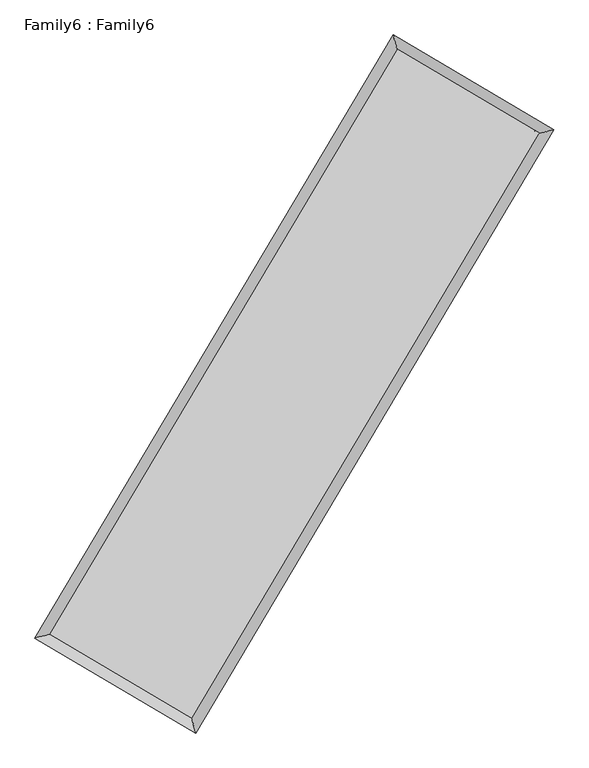
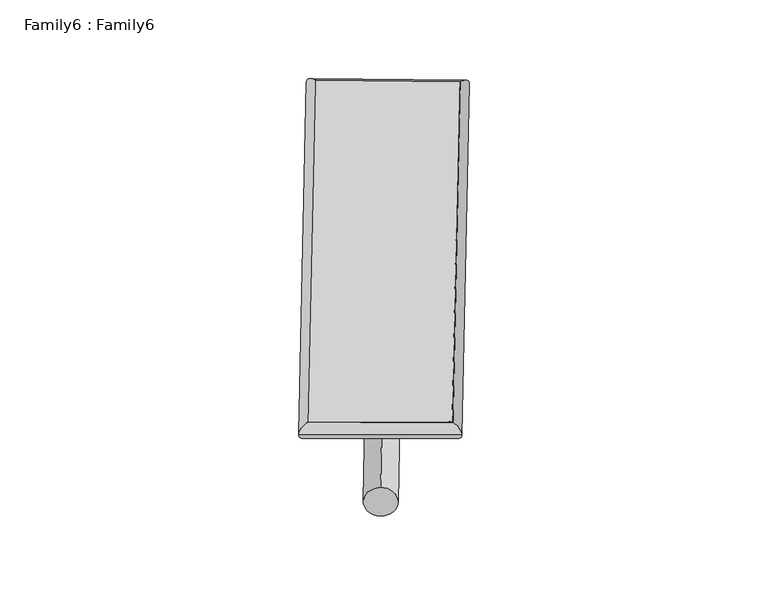
"""IFC4 building model written with IfcOpenShell, lengths in millimetres: plate geometry, Family6 : Family6."""

from ifc_helpers import new_model, si_unit, point, frame, origin, origin_2d, place, context, project, spatial, circle_curve, ellipse_curve, trimmed, segment, composite_curve, outline, extrude, source, transform, mapped, element, save
from ifc_brep_helpers import plane_surface, cylinder_surface, spline_surface, advanced_brep


def family6_family6_d6501654(model_context):
    return source(origin(), model_context, "Body", "SolidModel", [
        extrude(outline(composite_curve([segment(trimmed(circle_curve(origin_2d(), 76.2), [point((-75.4341515, -10.7763073))], [point((75.4341515, 10.7763073))], False, "CARTESIAN"), True, "CONTINUOUS"), segment(trimmed(circle_curve(origin_2d(), 76.2), [point((75.4341515, 10.7763073))], [point((-75.4341515, -10.7763073))], False, "CARTESIAN"), True, "CONTINUOUS")], self_intersect=False)), frame((9144.0, 9144.0, 0.0), z_axis=(0.6734243797867802, 0.6873134271143154, 0.27221289024799167), x_axis=(-0.6792668655358889, 0.7206025427711855, -0.13902697844933048)), (0.0, 0.0, 1.0), 5568.1419777),
        extrude(outline(composite_curve([segment(trimmed(circle_curve(origin_2d(), 76.2), [point((-53.8815367, 53.8815368))], [point((53.8815367, -53.8815368))], False, "CARTESIAN"), True, "CONTINUOUS"), segment(trimmed(circle_curve(origin_2d(), 76.2), [point((53.8815367, -53.8815368))], [point((-53.8815367, 53.8815368))], False, "CARTESIAN"), True, "CONTINUOUS")], self_intersect=False)), frame((9144.0, 9144.0, 0.0), z_axis=(-0.6737153100010203, -0.687031614884467, 0.2722044107274364), x_axis=(0.6407275644805432, -0.3595301329513277, 0.6783850467211318)), (0.0, 0.0, 1.0), 5568.3904522),
        extrude(outline(composite_curve([segment(trimmed(circle_curve(origin_2d(), 76.2), [point((-53.8815367, -53.8815367))], [point((53.8815367, 53.8815367))], False, "CARTESIAN"), True, "CONTINUOUS"), segment(trimmed(circle_curve(origin_2d(), 76.2), [point((53.8815367, 53.8815367))], [point((-53.8815367, -53.8815367))], False, "CARTESIAN"), True, "CONTINUOUS")], self_intersect=False)), frame((9144.0, 9144.0, 0.0), z_axis=(0.28090922880319713, 0.9196025805804878, 0.2746290206130818), x_axis=(-0.8387551668531552, 0.3743100426767691, -0.395451339646803)), (0.0, 0.0, 1.0), 5567.2555822),
        extrude(outline(composite_curve([segment(trimmed(circle_curve(origin_2d(), 76.2), [point((-75.4341514, 10.7763074))], [point((75.4341514, -10.7763074))], False, "CARTESIAN"), True, "CONTINUOUS"), segment(trimmed(circle_curve(origin_2d(), 76.2), [point((75.4341514, -10.7763074))], [point((-75.4341514, 10.7763074))], False, "CARTESIAN"), True, "CONTINUOUS")], self_intersect=False)), frame((9144.0, 9144.0, 0.0), z_axis=(-0.2805302783100441, -0.9197272739059167, 0.27459880659769875), x_axis=(0.8765376838310135, -0.1288959720897907, 0.4637537247324168)), (0.0, 0.0, 1.0), 5567.8928144),
        advanced_brep(
        [(5183.4822681, 5264.9263991, 1516.7985491), (5601.5039202, 5371.7614144, 1517.075441), (5601.4979325, 5371.7530316, 1514.6823343), (10761.2186894, 14055.0767488, 1527.4855338), (10654.5682549, 14472.2484514, 1530.3743623), (5183.4762804, 5264.9180162, 1514.4054425), (12684.7502773, 12917.5841784, 1515.860786), (13102.6948386, 13024.5333124, 1515.5792562), (7528.6632405, 4231.7011677, 1528.6903231), (7635.4117179, 3814.4130732, 1529.1831211)],
        [
            (0, 1, ellipse_curve(frame((5392.4901003, 5318.3397153, 1515.7404417), z_axis=(-0.24761138427409624, 0.9688554616942119, -0.0027742968769458145), x_axis=(-0.968845985934287, -0.24762201923149135, -0.00455972923962962)), 215.7372498, 152.4)),
            (1, 2, ellipse_curve(frame((5392.4901003, 5318.3397153, 1515.7404417), z_axis=(-0.24761138427409624, 0.9688554616942119, -0.0027742968769458145), x_axis=(-0.968845985934287, -0.24762201923149135, -0.00455972923962962)), 215.7372498, 152.4)),
            (2, 3),
            (3, 4, ellipse_curve(frame((10707.8934721, 14263.6626001, 1528.929948), z_axis=(-0.9688322001180139, -0.24770233122489407, 0.0027790502409174678), x_axis=(0.24768836060278274, -0.9688289349020528, -0.004579401539484348)), 215.2996327, 152.4)),
            (4, 0),
            (2, 5, ellipse_curve(frame((5392.4901003, 5318.3397153, 1515.7404417), z_axis=(-0.24761138427409624, 0.9688554616942119, -0.0027742968769458145), x_axis=(-0.968845985934287, -0.24762201923149135, -0.00455972923962962)), 215.7372498, 152.4)),
            (5, 0, ellipse_curve(frame((5392.4901003, 5318.3397153, 1515.7404417), z_axis=(-0.24761138427409624, 0.9688554616942119, -0.0027742968769458145), x_axis=(-0.968845985934287, -0.24762201923149135, -0.00455972923962962)), 215.7372498, 152.4)),
            (4, 3, ellipse_curve(frame((10707.8934721, 14263.6626001, 1528.929948), z_axis=(-0.9688322001180139, -0.24770233122489407, 0.0027790502409174678), x_axis=(0.24768836060278274, -0.9688289349020528, -0.004579401539484348)), 215.2996327, 152.4)),
            (3, 6),
            (6, 7, ellipse_curve(frame((12893.7225579, 12971.0587454, 1515.7200211), z_axis=(-0.24790250684013151, 0.9687809890796286, 0.00278249892633535), x_axis=(-0.9687714573567661, -0.24791320088276872, 0.004572552777988148)), 215.7073958, 152.4)),
            (7, 4),
            (7, 6, ellipse_curve(frame((12893.7225579, 12971.0587454, 1515.7200211), z_axis=(-0.24790250684013151, 0.9687809890796286, 0.00278249892633535), x_axis=(-0.9687714573567661, -0.24791320088276872, 0.004572552777988148)), 215.7073958, 152.4)),
            (6, 8),
            (8, 9, ellipse_curve(frame((7582.0374792, 4023.0571204, 1528.9367221), z_axis=(0.9687980083175363, 0.24783615350055416, 0.002767688209449794), x_axis=(-0.24782226303908478, 0.9687947389308786, -0.004569437825126304)), 215.3642288, 152.4)),
            (9, 7),
            (9, 8, ellipse_curve(frame((7582.0374792, 4023.0571204, 1528.9367221), z_axis=(0.9687980083175363, 0.24783615350055416, 0.002767688209449794), x_axis=(-0.24782226303908478, 0.9687947389308786, -0.004569437825126304)), 215.3642288, 152.4)),
            (8, 1),
            (5, 9),
        ],
        [
            cylinder_surface(frame((5392.4901003, 5318.3397153, 1515.7404417), z_axis=(-0.5108309101038396, -0.8596802746178764, -0.0012675627855688034), x_axis=(-0.859657289223798, 0.5108051423765269, 0.008212892674773601)), 152.4),
            cylinder_surface(frame((10707.8934721, 14263.6626001, 1528.929948), z_axis=(-0.8607462307883164, 0.5090077275943798, 0.00520186821365938), x_axis=(0.5090291321221236, 0.860738616142103, 0.004286879141657623)), 152.4),
            cylinder_surface(frame((12893.7225579, 12971.0587454, 1515.7200211), z_axis=(0.5104537254425333, 0.8599042859292053, -0.0012701269317669688), x_axis=(0.8599051532977224, -0.5104537254425332, 0.0003485883811388855)), 152.4),
            cylinder_surface(frame((7582.0374792, 4023.0571204, 1528.9367221), z_axis=(0.8606636347965362, -0.5091475237950426, 0.005187171887604445), x_axis=(-0.5091352376127746, -0.8606791610412234, -0.0035625230328531934)), 152.4),
        ],
        [
            (0, [[1, 2, 3, 4, 5]]),
            (0, [[6, 7, -5, 8, -3]]),
            (1, [[-4, 9, 10, 11]]),
            (1, [[-8, -11, 12, -9]]),
            (2, [[-10, 13, 14, 15]]),
            (2, [[-12, -15, 16, -13]]),
            (3, [[-14, 17, -1, -7, 18]]),
            (3, [[-16, -18, -6, -2, -17]]),
        ],
    ),
        extrude(outline(composite_curve([segment(trimmed(circle_curve(origin_2d(), 304.8), [point((0.0, -304.8))], [point((0.0, 304.8))], False, "CARTESIAN"), True, "CONTINUOUS"), segment(trimmed(circle_curve(origin_2d(), 304.8), [point((0.0, 304.8))], [point((0.0, -304.8))], False, "CARTESIAN"), True, "CONTINUOUS")], self_intersect=False)), frame((6482.8464996, 4647.7391479, -0.000123), z_axis=(0.5093352328523116, 0.8605681963535958, 2.3535751648253932e-08), x_axis=(-0.860568196353596, 0.5093352328523116, 6.442971329732106e-09)), (0.0, 0.0, 1.0), 10449.5166593),
        advanced_brep(
        [(5392.4901003, 5318.3397153, 1515.7404417), (7582.0374792, 4023.0571204, 1528.9367221), (7582.0373231, 4023.0574493, 1681.3367221), (5392.4899442, 5318.3400441, 1668.1404417), (12893.7225579, 12971.0587454, 1515.7200211), (12893.7224018, 12971.0590742, 1668.1200211), (10707.8934721, 14263.6626001, 1528.929948), (10707.893316, 14263.6629289, 1681.329948)],
        [
            (0, 1),
            (1, 2),
            (2, 3),
            (3, 0),
            (1, 4),
            (4, 5),
            (5, 2),
            (4, 6),
            (6, 7),
            (7, 5),
            (6, 0),
            (3, 7),
        ],
        [
            plane_surface(frame((6487.2637897, 4670.6984179, 1522.3385819), z_axis=(-0.5091543796475586, -0.8606752103342624, 1.3353279832207555e-06), x_axis=(0.8606636347965358, -0.5091475237950428, 0.00518717188760444))),
            plane_surface(frame((10237.8800186, 8497.0579329, 1522.3283716), z_axis=(0.859904980822012, -0.5104541350146612, 1.982317050791744e-06), x_axis=(0.5104537254425336, 0.859904285929205, -0.0012701269317669716))),
            plane_surface(frame((11800.808015, 13617.3606727, 1522.3249846), z_axis=(0.5090146084834035, 0.8607578802129573, -1.335649551575599e-06), x_axis=(-0.8607462307883161, 0.5090077275943801, 0.00520186821365938))),
            plane_surface(frame((8050.1917862, 9791.0011577, 1522.3351949), z_axis=(-0.8596809639638423, 0.5108313226440478, -1.9829013496850843e-06), x_axis=(-0.5108309101038401, -0.8596802746178763, -0.0012675627855688015))),
            spline_surface(1, 1, [[(7582.0373231, 4023.0574493, 1681.3367221), (5392.4899442, 5318.3400441, 1668.1404417)], [(12893.7224018, 12971.0590742, 1668.1200211), (10707.893316, 14263.6629289, 1681.329948)]], [2, 2], [2, 2], [0.0, 1.0], [0.0, 1.0]),
            spline_surface(1, 1, [[(10707.8934721, 14263.6626001, 1528.929948), (5392.4901003, 5318.3397153, 1515.7404417)], [(12893.7225579, 12971.0587454, 1515.7200211), (7582.0374792, 4023.0571204, 1528.9367221)]], [2, 2], [2, 2], [0.0, 1.0], [0.0, 1.0]),
        ],
        [
            (0, [[1, 2, 3, 4]]),
            (1, [[5, 6, 7, -2]]),
            (2, [[8, 9, 10, -6]]),
            (3, [[11, -4, 12, -9]]),
            (4, [[-3, -7, -10, -12]]),
            (5, [[-11, -8, -5, -1]]),
        ],
    ),
    ])


if __name__ == "__main__":
    model = new_model("IFC4")
    model_context = context("Model", 3, world=origin())
    ifc_project = project(units=[si_unit("LENGTHUNIT", "METRE", prefix="MILLI")], contexts=[model_context])
    site = spatial("IfcSite", under=ifc_project)
    building = spatial("IfcBuilding", under=site)
    placement = place(None, origin())
    family6_family6_shape = family6_family6_d6501654(model_context)
    element("IfcPlate", 1, ObjectType="Family6 : Family6", at=placement, inside=building, context=model_context, shape_type="MappedRepresentation", body=[
        mapped(family6_family6_shape, transform((0.0, 0.0, 0.0), x_axis=(1.0, 0.0, 0.0), y_axis=(0.0, 1.0, 0.0), z_axis=(0.0, 0.0, 1.0))),
    ])
    save(model, "model.ifc")
